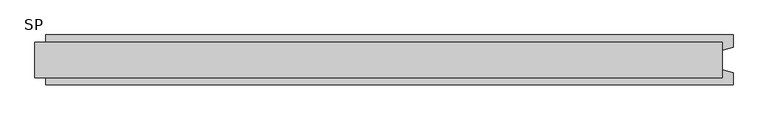
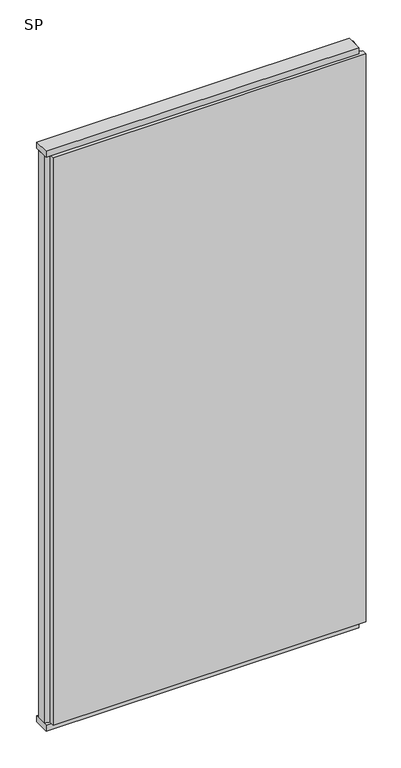
"""IFC4 building model written with IfcOpenShell, lengths in millimetres: plate geometry, SP."""

from ifc_helpers import new_model, si_unit, frame, origin, origin_with_axes, place, context, project, spatial, polyline, outline, extrude, source, transform, mapped, element, save


def sp_add9ec50(model_context):
    return source(origin(), model_context, "Body", "SweptSolid", [
        extrude(outline(polyline([(620.0, 32.0), (620.0, -32.0), (-620.0, -32.0), (-620.0, 32.0), (620.0, 32.0)])), origin_with_axes(), (0.0, 0.0, 1.0), 25.0),
        extrude(outline(polyline([(620.0, 32.0), (620.0, -32.0), (-620.0, -32.0), (-620.0, 32.0), (620.0, 32.0)])), frame((0.0, 0.0, 2402.0), z_axis=(0.0, 0.0, 1.0), x_axis=(1.0, 0.0, 0.0)), (0.0, 0.0, 1.0), 25.0),
        extrude(outline(polyline([(640.0, 45.0), (640.0, 22.9993165), (620.0, 17.6401049), (620.0, -17.6401049), (640.0, -22.9993165), (640.0, -45.0), (-600.0, -45.0), (-600.0, -22.9993165), (-620.0, -17.6401049), (-620.0, 17.6401049), (-600.0, 22.9993165), (-600.0, 45.0), (640.0, 45.0)])), frame((0.0, 0.0, 25.0), z_axis=(0.0, 0.0, 1.0), x_axis=(1.0, 0.0, 0.0)), (0.0, 0.0, 1.0), 2377.0),
    ])


if __name__ == "__main__":
    model = new_model("IFC4")
    model_context = context("Model", 3, world=origin())
    ifc_project = project(units=[si_unit("LENGTHUNIT", "METRE", prefix="MILLI")], contexts=[model_context])
    site = spatial("IfcSite", under=ifc_project)
    building = spatial("IfcBuilding", under=site)
    placement = place(None, origin())
    sp_shape = sp_add9ec50(model_context)
    element("IfcPlate", 1, ObjectType="SP", at=placement, inside=building, context=model_context, shape_type="MappedRepresentation", body=[
        mapped(sp_shape, transform((0.0, 0.0, 0.0), x_axis=(1.0, 0.0, 0.0), y_axis=(0.0, 1.0, 0.0), z_axis=(0.0, 0.0, 1.0))),
    ])
    save(model, "model.ifc")
